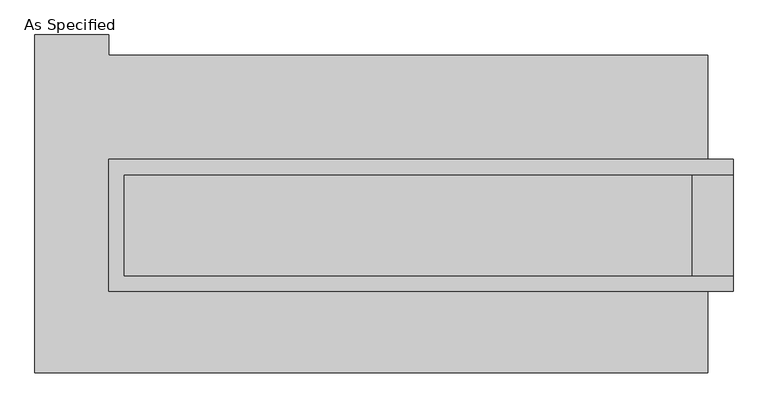
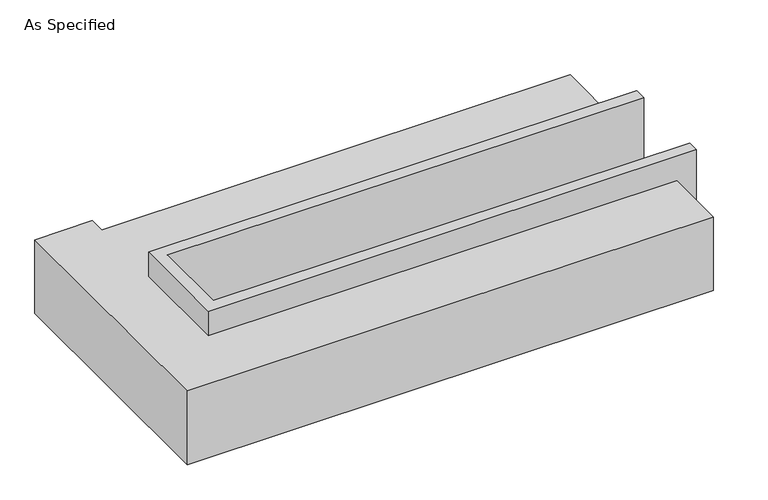
"""IFC4 building model written with IfcOpenShell, lengths in millimetres: proxy geometry, As Specified."""

import ifcopenshell
import ifcopenshell.guid

model = None  # the IFC model being written
_history = None  # IfcOwnerHistory: only IFC2X3 demands one
_inside = {}  # id of a spatial element -> (the spatial element, [elements in it])
_under = {}  # id of a project, library or spatial element -> (it, [spatial elements below it])
_declared = {}  # id of a project -> (the project, [libraries it declares])
_typed = {}  # id of a type object -> (the type object, [elements of that type])
_made_of = {}  # id of a material, layer set ... -> (it, [elements and type objects made of it])


def new_model(schema):
    """Start an empty IFC model of exactly this schema.

    Asked for "IFC4X3", IfcOpenShell would pick the latest addendum, in which some entities
    have other attributes; the version numbers below select the first issue.
    IFC2X3 requires an IfcOwnerHistory on every rooted entity: one is made here for all.
    """
    global model, _history
    if schema == "IFC4X3":
        model = ifcopenshell.file(schema_version=(4, 3, 0, 0))
    else:
        model = ifcopenshell.file(schema=schema)
    _inside.clear()
    _under.clear()
    _declared.clear()
    _typed.clear()
    _made_of.clear()
    _history = None
    if model.schema == "IFC2X3":
        org = make("IfcOrganization", Name="unknown")
        user = make(
            "IfcPersonAndOrganization",
            ThePerson=make("IfcPerson", FamilyName="unknown"),
            TheOrganization=org,
        )
        app = make(
            "IfcApplication",
            ApplicationDeveloper=org,
            Version="unknown",
            ApplicationFullName="unknown",
            ApplicationIdentifier="unknown",
        )
        _history = make(
            "IfcOwnerHistory",
            OwningUser=user,
            OwningApplication=app,
            ChangeAction="ADDED",
            CreationDate=0,
        )
    return model


def make(cls, **values):
    """One entity of the class cls with the attributes given. An attribute that is None is left unset."""
    return model.create_entity(
        cls, **{name: value for name, value in values.items() if value is not None}
    )


def rooted(cls, **values):
    """An entity with a GlobalId (a new one), such as an element, a storey or a relation."""
    return make(cls, GlobalId=ifcopenshell.guid.new(), OwnerHistory=_history, **values)


def si_unit(unit_type, name, prefix=None):
    """IfcSIUnit, for example si_unit("LENGTHUNIT", "METRE", prefix="MILLI")."""
    return make("IfcSIUnit", UnitType=unit_type, Prefix=prefix, Name=name)


def assignment(units):
    """IfcUnitAssignment: the units of a project."""
    return None if units is None else make("IfcUnitAssignment", Units=units)


def point(xyz):
    """IfcCartesianPoint."""
    return None if xyz is None else make("IfcCartesianPoint", Coordinates=xyz)


def direction(xyz):
    """IfcDirection."""
    return None if xyz is None else make("IfcDirection", DirectionRatios=xyz)


def frame(location, z_axis=None, x_axis=None):
    """IfcAxis2Placement3D, a coordinate frame: its origin and axes. An axis left out is left unset."""
    return make(
        "IfcAxis2Placement3D",
        Location=point(location),
        Axis=direction(z_axis),
        RefDirection=direction(x_axis),
    )


def origin():
    """The frame at (0, 0, 0) with its axes left unset."""
    return frame((0.0, 0.0, 0.0))


def place(relative_to, where):
    """IfcLocalPlacement: puts the frame where relative to a parent placement (None: the world)."""
    return make(
        "IfcLocalPlacement", PlacementRelTo=relative_to, RelativePlacement=where
    )


def context(
    kind, dimensions, precision=None, world=None, true_north=None, identifier=None
):
    """IfcGeometricRepresentationContext, for example the 3D "Model" context."""
    return make(
        "IfcGeometricRepresentationContext",
        ContextIdentifier=identifier,
        ContextType=kind,
        CoordinateSpaceDimension=dimensions,
        Precision=precision,
        WorldCoordinateSystem=world,
        TrueNorth=true_north,
    )


def project(units=None, contexts=None):
    """IfcProject with its units and contexts."""
    return rooted(
        "IfcProject",
        Name="project",
        RepresentationContexts=contexts,
        UnitsInContext=assignment(units),
    )


def spatial(cls, under=None, at=None, **own):
    """A site, building, storey or space (cls), placed at a placement, below another one or the project."""
    s = rooted(cls, ObjectPlacement=at, **own)
    if under is not None:
        _under.setdefault(under.id(), (under, []))[1].append(s)
    return s


def faces_of(points, faces, orient=None, outer=None):
    """IfcFace entities. A face is a list of loops; a loop is a list of indices into points, from 0.

    orient and outer hold one flag for each loop. By default every Orientation is true, the
    first loop of a face is its IfcFaceOuterBound and the others are IfcFaceBound.
    """
    made = []
    for i, loops in enumerate(faces):
        bounds = []
        for j, loop in enumerate(loops):
            is_outer = j == 0 if outer is None else outer[i][j]
            bounds.append(
                make(
                    "IfcFaceOuterBound" if is_outer else "IfcFaceBound",
                    Bound=make("IfcPolyLoop", Polygon=[points[k] for k in loop]),
                    Orientation=True if orient is None else orient[i][j],
                )
            )
        made.append(make("IfcFace", Bounds=bounds))
    return made


def faceted_brep(points, faces, orient=None, outer=None, voids=None):
    """IfcFacetedBrep: a solid bounded by flat faces; with voids (closed shells), ...WithVoids."""
    shared = [point(p) for p in points]
    hull = make("IfcClosedShell", CfsFaces=faces_of(shared, faces, orient, outer))
    if voids is None:
        return make("IfcFacetedBrep", Outer=hull)
    return make(
        "IfcFacetedBrepWithVoids",
        Outer=hull,
        Voids=[
            make(cls, CfsFaces=faces_of(shared, fs, o, b)) for cls, fs, o, b in voids
        ],
    )


def shape(context_of_items, identifier, shape_type, items):
    """IfcShapeRepresentation: the items that make up one representation, for example the "Body"."""
    return make(
        "IfcShapeRepresentation",
        ContextOfItems=context_of_items,
        RepresentationIdentifier=identifier,
        RepresentationType=shape_type,
        Items=items,
    )


def source(mapping_origin, context_of_items, identifier, shape_type, items):
    """IfcRepresentationMap: a shape defined once, which mapped items show again and again."""
    return make(
        "IfcRepresentationMap",
        MappingOrigin=mapping_origin,
        MappedRepresentation=shape(context_of_items, identifier, shape_type, items),
    )


def transform(
    local_origin,
    x_axis=None,
    y_axis=None,
    z_axis=None,
    scale=None,
    scale2=None,
    scale3=None,
    uniform=True,
):
    """IfcCartesianTransformationOperator3D, or its non-uniform kind. x_axis, y_axis, z_axis: its Axis1, 2, 3."""
    if uniform:
        return make(
            "IfcCartesianTransformationOperator3D",
            Axis1=direction(x_axis),
            Axis2=direction(y_axis),
            LocalOrigin=point(local_origin),
            Scale=scale,
            Axis3=direction(z_axis),
        )
    return make(
        "IfcCartesianTransformationOperator3DnonUniform",
        Axis1=direction(x_axis),
        Axis2=direction(y_axis),
        LocalOrigin=point(local_origin),
        Scale=scale,
        Axis3=direction(z_axis),
        Scale2=scale2,
        Scale3=scale3,
    )


def mapped(mapping_source, mapping_target):
    """IfcMappedItem: shows the shape of a source again, moved by a transform."""
    return make(
        "IfcMappedItem", MappingSource=mapping_source, MappingTarget=mapping_target
    )


def made_of(thing, what):
    """Note that an element or type object is made of a material, layer set ...; save() writes the relation."""
    if what is not None:
        _made_of.setdefault(what.id(), (what, []))[1].append(thing)
    return thing


def element(
    cls,
    number,
    at=None,
    inside=None,
    cuts=None,
    type_object=None,
    material=None,
    context=None,
    identifier="Body",
    shape_type=None,
    held_by="IfcProductDefinitionShape",
    body=None,
    shapes=None,
    **own,
):
    """One element of the class cls, such as IfcWall. Its Tag is "e" and its number.

    at: its placement. inside: the storey or other place that contains it. cuts: it is an
    opening in that element (IfcRelVoidsElement). A single representation is given by context,
    identifier, shape_type and body (its items); several are given by shapes. held_by: the class
    of the entity that holds the representations. save() writes the other relations.
    """
    e = rooted(cls, Tag="e%d" % number, ObjectPlacement=at, **own)
    if body is not None:
        shapes = [shape(context, identifier, shape_type, body)]
    if shapes is not None:
        e.Representation = make(held_by, Representations=shapes)
    if inside is not None:
        _inside.setdefault(inside.id(), (inside, []))[1].append(e)
    if cuts is not None:
        rooted(
            "IfcRelVoidsElement", RelatingBuildingElement=cuts, RelatedOpeningElement=e
        )
    if type_object is not None:
        _typed.setdefault(type_object.id(), (type_object, []))[1].append(e)
    return made_of(e, material)


def aggregate(whole, parts):
    """IfcRelAggregates: a whole, such as a stair, and the parts it consists of."""
    return rooted("IfcRelAggregates", RelatingObject=whole, RelatedObjects=parts)


def save(model, path):
    """Write the relations noted so far, then the file.

    IfcRelAggregates (storeys below a building ...), IfcRelContainedInSpatialStructure (elements
    in a storey), IfcRelDefinesByType, IfcRelAssociatesMaterial and IfcRelDeclares: one each for
    every whole, place, type object, material and project.
    """
    for whole, parts in _under.values():
        aggregate(whole, parts)
    for where, things in _inside.values():
        rooted(
            "IfcRelContainedInSpatialStructure",
            RelatedElements=things,
            RelatingStructure=where,
        )
    for kind, things in _typed.values():
        rooted("IfcRelDefinesByType", RelatedObjects=things, RelatingType=kind)
    for what, things in _made_of.values():
        rooted("IfcRelAssociatesMaterial", RelatedObjects=things, RelatingMaterial=what)
    for by, libraries in _declared.values():
        rooted("IfcRelDeclares", RelatingContext=by, RelatedDefinitions=libraries)
    model.write(path)


def as_specified_628d570f(model_context):
    return source(origin(), model_context, "Body", "Brep", [
        faceted_brep([(-1416.05, 273.05, 139.7), (-1416.05, 273.05, -393.7), (-1416.05, 196.85, -393.7), (-1416.05, 196.85, -25.4), (-1416.05, -311.15, -25.4), (-1416.05, -311.15, -393.7), (-1416.05, -387.35, -393.7), (-1416.05, -387.35, 139.7), (1708.15, 196.85, 139.7), (1708.15, 196.85, -317.5), (1708.15, -311.15, -317.5), (1708.15, -311.15, 139.7), (1708.15, -387.35, 139.7), (1708.15, -387.35, -393.7), (1708.15, 273.05, -393.7), (1708.15, 273.05, 139.7), (-1339.85, -311.15, 139.7), (-1339.85, 196.85, 139.7), (1504.95, -311.15, -393.7), (1504.95, 196.85, -393.7), (1504.95, -311.15, -317.5), (-1339.85, -311.15, -25.4), (1504.95, 196.85, -317.5), (-1339.85, 196.85, -25.4)], [[[0, 1, 2, 3, 4, 5, 6, 7]], [[8, 9, 10, 11, 12, 13, 14, 15]], [[0, 7, 12, 11, 16, 17, 8, 15]], [[1, 0, 15, 14]], [[14, 13, 6, 5, 18, 19, 2, 1]], [[7, 6, 13, 12]], [[11, 10, 20, 18, 5, 4, 21, 16]], [[10, 9, 22, 20]], [[9, 8, 17, 23, 3, 2, 19, 22]], [[18, 20, 22, 19]], [[23, 21, 4, 3]], [[17, 16, 21, 23]]]),
        faceted_brep([(1581.15, -793.75, -523.9742188), (-1784.35, -793.75, -523.9742188), (-1784.35, 895.35, -523.9742188), (-1416.05, 895.35, -523.9742188), (-1416.05, 793.75, -523.9742188), (1581.15, 793.75, -523.9742188), (-1784.35, -793.75, -25.4), (1581.15, -793.75, -25.4), (1581.15, -387.35, -25.4), (-1416.05, -387.35, -25.4), (-1416.05, 273.05, -25.4), (1581.15, 273.05, -25.4), (1581.15, 793.75, -25.4), (-1416.05, 793.75, -25.4), (-1416.05, 895.35, -25.4), (-1784.35, 895.35, -25.4), (1581.15, 273.05, -393.7), (1581.15, -387.35, -393.7), (-1416.05, -387.35, -393.7), (-1416.05, 273.05, -393.7)], [[[0, 1, 2, 3, 4, 5]], [[6, 7, 8, 9, 10, 11, 12, 13, 14, 15]], [[12, 5, 4, 13]], [[2, 1, 6, 15]], [[5, 12, 11, 16, 17, 8, 7, 0]], [[1, 0, 7, 6]], [[18, 19, 10, 9]], [[10, 19, 16, 11]], [[19, 18, 17, 16]], [[18, 9, 8, 17]], [[3, 2, 15, 14]], [[4, 3, 14, 13]]]),
    ])


if __name__ == "__main__":
    model = new_model("IFC4")
    model_context = context("Model", 3, world=origin())
    ifc_project = project(units=[si_unit("LENGTHUNIT", "METRE", prefix="MILLI")], contexts=[model_context])
    site = spatial("IfcSite", under=ifc_project)
    building = spatial("IfcBuilding", under=site)
    placement = place(None, origin())
    as_specified_shape = as_specified_628d570f(model_context)
    element("IfcBuildingElementProxy", 1, Name="As Specified", ObjectType="As Specified", at=placement, inside=building, context=model_context, shape_type="MappedRepresentation", body=[
        mapped(as_specified_shape, transform((0.0, 0.0, 0.0), x_axis=(1.0, 0.0, 0.0), y_axis=(0.0, 1.0, 0.0), z_axis=(0.0, 0.0, 1.0))),
    ])
    save(model, "model.ifc")
